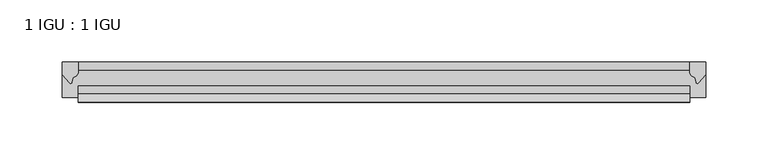
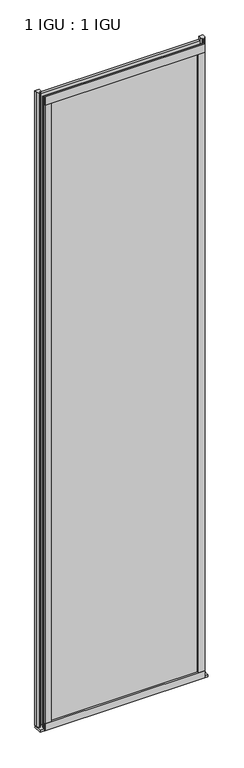
"""IFC4 building model written with IfcOpenShell, lengths in millimetres: plate geometry, 1 IGU : 1 IGU."""

from ifc_helpers import new_model, si_unit, point, frame, frame_2d, origin, place, context, project, spatial, polyline, circle_curve, trimmed, segment, composite_curve, outline, extrude, source, transform, mapped, element, save


def plate_1_igu_1_igu_9611f0c7(model_context):
    return source(origin(), model_context, "Body", "SweptSolid", [
        extrude(outline(polyline([(244.6551797, 0.0021347), (244.6551797, -6.2992), (-244.6551797, -6.2992), (-244.6551797, 0.0021347), (244.6551797, 0.0021347)])), frame((0.0, 0.0, -19.05), z_axis=(0.0, 0.0, 1.0), x_axis=(1.0, 0.0, 0.0)), (0.0, 0.0, 1.0), 2041.5250001),
        extrude(outline(polyline([(-244.6551797, -19.0986653), (244.6551797, -19.0986653), (244.6551797, -25.3978653), (-244.6551797, -25.3978653), (-244.6551797, -19.0986653)])), frame((0.0, 0.0, -19.05), z_axis=(0.0, 0.0, 1.0), x_axis=(1.0, 0.0, 0.0)), (0.0, 0.0, 1.0), 2041.5250001),
        extrude(outline(composite_curve([segment(trimmed(circle_curve(frame_2d((10.9021792, -22.6833935)), 11.4916952), [point((0.0, -19.05))], [point((-0.2638007, -25.4))], True, "CARTESIAN"), True, "CONTINUOUS"), segment(polyline([(-0.2638007, -25.4), (-27.9952564, -25.4), (-27.9952564, -19.05), (0.0, -19.05)]), True, "CONTINUOUS")], self_intersect=False)), frame((-257.3551797, 0.0, 0.0), z_axis=(1.0, 0.0, 0.0), x_axis=(0.0, 1.0, 0.0)), (0.0, 0.0, 1.0), 514.7103593),
        extrude(outline(composite_curve([segment(polyline([(257.3551797, 0.0), (257.3551797, -9.7395025), (251.7889488, -16.3730781)]), True, "CONTINUOUS"), segment(trimmed(circle_curve(frame_2d((250.8352738, -15.7728374)), 1.1268473), [point((251.7889488, -16.3730781))], [point((249.7343209, -16.0130197))], False, "CARTESIAN"), True, "CONTINUOUS"), segment(polyline([(249.7343209, -16.0130197), (248.7541294, -11.7377885)]), True, "CONTINUOUS"), segment(trimmed(circle_curve(frame_2d((248.6266776, -7.7683362)), 3.9714979), [point((248.7541294, -11.7377885))], [point((244.6553583, -7.8060014))], False, "CARTESIAN"), True, "CONTINUOUS"), segment(polyline([(244.6553583, -7.8060014), (244.6553583, 0.0), (257.3551797, 0.0)]), True, "CONTINUOUS")], self_intersect=False)), frame((0.0, 0.0, -19.05), z_axis=(0.0, 0.0, 1.0), x_axis=(1.0, 0.0, 0.0)), (0.0, 0.0, 1.0), 2051.8374001),
        extrude(outline(composite_curve([segment(polyline([(-244.6551797, 8.8e-06), (-244.6551797, -7.7683362)]), True, "CONTINUOUS"), segment(trimmed(circle_curve(frame_2d((-248.6266776, -7.7683362)), 3.9714979), [point((-244.6551797, -7.7683362))], [point((-248.7541294, -11.7377885))], False, "CARTESIAN"), True, "CONTINUOUS"), segment(polyline([(-248.7541294, -11.7377885), (-249.734164, -16.012436)]), True, "CONTINUOUS"), segment(trimmed(circle_curve(frame_2d((-250.835373, -15.7723555)), 1.1270758), [point((-249.734164, -16.012436))], [point((-251.7892124, -16.372764))], False, "CARTESIAN"), True, "CONTINUOUS"), segment(polyline([(-251.7892124, -16.372764), (-257.3551797, -9.7395025), (-257.3551797, 8.8e-06), (-244.6551797, 8.8e-06)]), True, "CONTINUOUS")], self_intersect=False)), frame((0.0, 0.0, -19.05), z_axis=(0.0, 0.0, 1.0), x_axis=(1.0, 0.0, 0.0)), (0.0, 0.0, 1.0), 2051.8374001),
        extrude(outline(composite_curve([segment(polyline([(-31.75, 0.0), (-25.4, 0.0), (-25.4, -22.225)]), True, "CONTINUOUS"), segment(trimmed(circle_curve(frame_2d((-28.575, -28.9113452)), 7.4018806), [point((-25.4, -22.225))], [point((-31.75, -22.225))], True, "CARTESIAN"), True, "CONTINUOUS"), segment(polyline([(-31.75, -22.225), (-31.75, 0.0)]), True, "CONTINUOUS")], self_intersect=False)), frame((-244.6551797, 0.0, 0.0), z_axis=(1.0, 0.0, 0.0), x_axis=(0.0, 1.0, 0.0)), (0.0, 0.0, 1.0), 489.3103593),
        extrude(outline(composite_curve([segment(polyline([(-25.4, 2025.6500001), (-25.4, 2000.2500001), (-31.75, 2000.2500001), (-31.75, 2028.4228974)]), True, "CONTINUOUS"), segment(trimmed(circle_curve(frame_2d((-24.1401272, 2037.1924116)), 11.6109665), [point((-31.75, 2028.4228974))], [point((-25.4, 2025.6500001))], True, "CARTESIAN"), True, "CONTINUOUS")], self_intersect=False)), frame((-244.6551797, 0.0, 0.0), z_axis=(1.0, 0.0, 0.0), x_axis=(0.0, 1.0, 0.0)), (0.0, 0.0, 1.0), 489.3103593),
        extrude(outline(composite_curve([segment(polyline([(225.6051797, -25.4), (244.6551797, -25.4)]), True, "CONTINUOUS"), segment(trimmed(circle_curve(frame_2d((254.1213304, -28.575)), 9.9844196), [point((244.6551797, -25.4))], [point((244.6551797, -31.75))], True, "CARTESIAN"), True, "CONTINUOUS"), segment(polyline([(244.6551797, -31.75), (225.6051797, -31.75), (225.6051797, -25.4)]), True, "CONTINUOUS")], self_intersect=False)), frame((0.0, 0.0, -19.05), z_axis=(0.0, 0.0, 1.0), x_axis=(1.0, 0.0, 0.0)), (0.0, 0.0, 1.0), 2041.5250001),
        extrude(outline(composite_curve([segment(trimmed(circle_curve(frame_2d((-254.1213304, -28.575)), 9.9844196), [point((-244.6551797, -31.75))], [point((-244.6551797, -25.4))], True, "CARTESIAN"), True, "CONTINUOUS"), segment(polyline([(-244.6551797, -25.4), (-225.6051797, -25.4), (-225.6051797, -31.75), (-244.6551797, -31.75)]), True, "CONTINUOUS")], self_intersect=False)), frame((0.0, 0.0, -19.05), z_axis=(0.0, 0.0, 1.0), x_axis=(1.0, 0.0, 0.0)), (0.0, 0.0, 1.0), 2041.5250001),
    ])


if __name__ == "__main__":
    model = new_model("IFC4")
    model_context = context("Model", 3, world=origin())
    ifc_project = project(units=[si_unit("LENGTHUNIT", "METRE", prefix="MILLI")], contexts=[model_context])
    site = spatial("IfcSite", under=ifc_project)
    building = spatial("IfcBuilding", under=site)
    placement = place(None, origin())
    plate_1_igu_1_igu_shape = plate_1_igu_1_igu_9611f0c7(model_context)
    element("IfcPlate", 1, ObjectType="1 IGU : 1 IGU", at=placement, inside=building, context=model_context, shape_type="MappedRepresentation", body=[
        mapped(plate_1_igu_1_igu_shape, transform((0.0, 0.0, 0.0), x_axis=(1.0, 0.0, 0.0), y_axis=(0.0, 1.0, 0.0), z_axis=(0.0, 0.0, 1.0))),
    ])
    save(model, "model.ifc")
